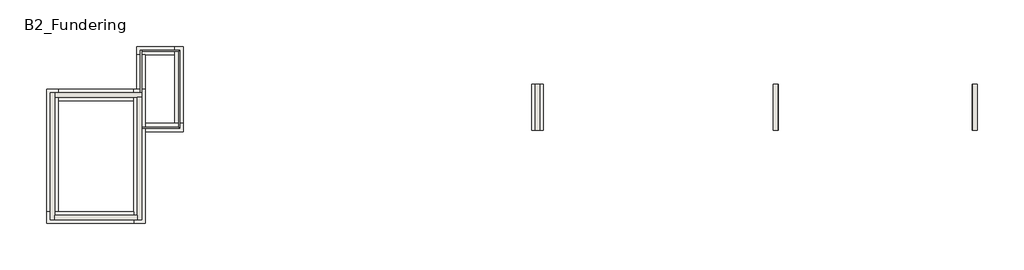
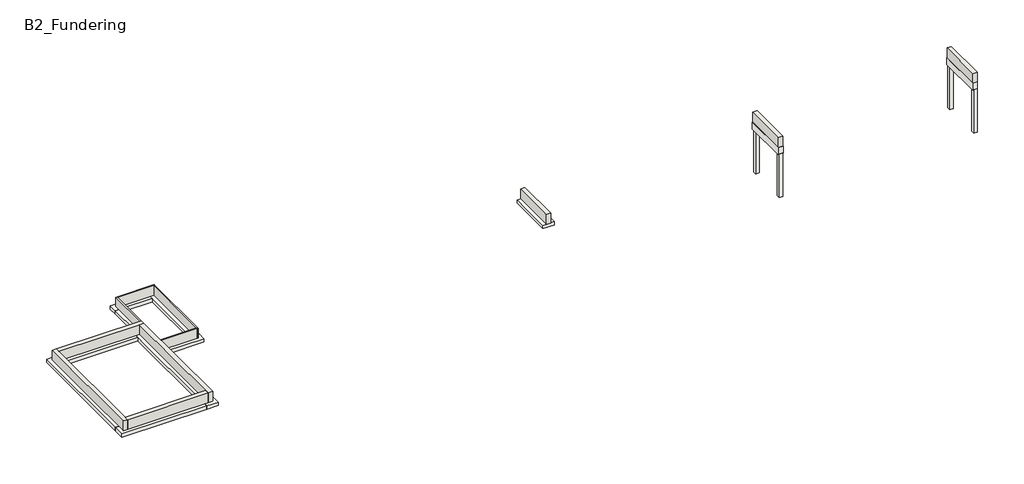
# One storey: 11 footings, 11 walls, 4 slabs.
"""IFC4 building model written with IfcOpenShell, lengths in millimetres."""

from ifc_helpers import new_model, si_unit, frame, origin, place, context, project, spatial, polyline, outline, extrude, faceted_brep, element, save

model = new_model("IFC4")

# Units and contexts
model_context = context("Model", 3, world=origin())
ifc_project = project(units=[si_unit("LENGTHUNIT", "METRE", prefix="MILLI")], contexts=[model_context])

# Site, building, storey
site = spatial("IfcSite", under=ifc_project)
building = spatial("IfcBuilding", under=site)
storey = spatial("IfcBuildingStorey", under=building, Name="B2_Fundering", Elevation=-900.0)

# Footings
placement = place(None, origin())
element("IfcFooting", 1, ObjectType="28_fundering_wand", at=placement, inside=storey, context=model_context, shape_type="Brep", body=[
    faceted_brep([(16885.2, 20874.8, -900.0), (16885.2, 19885.2, -900.0), (16885.2, 10454.8, -900.0), (16885.2, 9465.2, -900.0), (17874.8, 9465.2, -900.0), (17874.8, 17255.2, -900.0), (17874.8, 17964.8, -900.0), (17874.8, 20874.8, -900.0), (17165.2, 20874.8, -900.0), (17874.8, 20874.8, -1204.8), (17874.8, 9465.2, -1204.8), (17874.8, 17255.2, -1204.8), (17874.8, 17964.8, -1204.8), (16885.2, 20874.8, -1204.8), (17165.2, 20874.8, -1204.8), (16885.2, 9465.2, -1204.8), (16885.2, 10454.8, -1204.8), (16885.2, 19885.2, -1204.8)], [[[0, 1, 2, 3, 4, 5, 6, 7, 8]], [[9, 7, 6, 5, 4, 10, 11, 12]], [[13, 14, 9, 12, 11, 10, 15, 16, 17]], [[0, 13, 17, 16, 15, 3, 2, 1]], [[4, 3, 15, 10]], [[0, 8, 7, 9, 14, 13]]]),
])
element("IfcFooting", 2, ObjectType="28_fundering_wand", at=placement, inside=storey, context=model_context, shape_type="Brep", body=[
    faceted_brep([(9465.2, 10454.8, -900.0), (9465.2, 9465.2, -900.0), (16885.2, 9465.2, -900.0), (16885.2, 10454.8, -900.0), (10454.8, 10454.8, -900.0), (9465.2, 9465.2, -1204.8), (16885.2, 9465.2, -1204.8), (9465.2, 10454.8, -1204.8), (10454.8, 10454.8, -1204.8), (16885.2, 10454.8, -1204.8)], [[[0, 1, 2, 3, 4]], [[1, 5, 6, 2]], [[5, 7, 8, 9, 6]], [[7, 0, 4, 3, 9, 8]], [[3, 2, 6, 9]], [[1, 0, 7, 5]]]),
])
element("IfcFooting", 3, ObjectType="28_fundering_wand", at=placement, inside=storey, context=model_context, shape_type="Brep", body=[
    faceted_brep([(10454.8, 20874.8, -900.0), (9465.2, 20874.8, -900.0), (9465.2, 10454.8, -900.0), (10454.8, 10454.8, -900.0), (10454.8, 19885.2, -900.0), (9465.2, 20874.8, -1204.8), (9465.2, 10454.8, -1204.8), (10454.8, 20874.8, -1204.8), (10454.8, 19885.2, -1204.8), (10454.8, 10454.8, -1204.8)], [[[0, 1, 2, 3, 4]], [[1, 5, 6, 2]], [[5, 7, 8, 9, 6]], [[7, 0, 4, 3, 9, 8]], [[3, 2, 6, 9]], [[1, 0, 7, 5]]]),
])
element("IfcFooting", 4, ObjectType="28_fundering_wand", at=placement, inside=storey, context=model_context, shape_type="SweptSolid", body=[
    extrude(outline(polyline([(16885.2, 20874.8), (16885.2, 19885.2), (10454.8, 19885.2), (10454.8, 20874.8), (16885.2, 20874.8)])), frame((0.0, 0.0, -1204.8), z_axis=(0.0, 0.0, 1.0), x_axis=(1.0, 0.0, 0.0)), (0.0, 0.0, 1.0), 304.8),
])
element("IfcFooting", 5, ObjectType="28_fundering_wand", at=placement, inside=storey, context=model_context, shape_type="Brep", body=[
    faceted_brep([(21124.8, 17255.2, -900.0), (21124.8, 17964.8, -900.0), (20415.2, 17964.8, -900.0), (17874.8, 17964.8, -900.0), (17874.8, 17255.2, -900.0), (21124.8, 17255.2, -1204.8), (17874.8, 17255.2, -1204.8), (21124.8, 17964.8, -1204.8), (17874.8, 17964.8, -1204.8), (20415.2, 17964.8, -1204.8)], [[[0, 1, 2, 3, 4]], [[5, 0, 4, 6]], [[7, 5, 6, 8, 9]], [[1, 7, 9, 8, 3, 2]], [[4, 3, 8, 6]], [[1, 0, 5, 7]]]),
])
element("IfcFooting", 6, ObjectType="28_fundering_wand", at=placement, inside=storey, context=model_context, shape_type="Brep", body=[
    faceted_brep([(21124.8, 24524.8, -900.0), (20415.2, 24524.8, -900.0), (20415.2, 23815.2, -900.0), (20415.2, 17964.8, -900.0), (21124.8, 17964.8, -900.0), (21124.8, 24524.8, -1204.8), (21124.8, 17964.8, -1204.8), (20415.2, 24524.8, -1204.8), (20415.2, 17964.8, -1204.8), (20415.2, 23815.2, -1204.8)], [[[0, 1, 2, 3, 4]], [[5, 0, 4, 6]], [[7, 5, 6, 8, 9]], [[1, 7, 9, 8, 3, 2]], [[4, 3, 8, 6]], [[1, 0, 5, 7]]]),
])
element("IfcFooting", 7, ObjectType="28_fundering_wand", at=placement, inside=storey, context=model_context, shape_type="Brep", body=[
    faceted_brep([(17165.2, 24524.8, -900.0), (17165.2, 23815.2, -900.0), (17874.8, 23815.2, -900.0), (20415.2, 23815.2, -900.0), (20415.2, 24524.8, -900.0), (17165.2, 24524.8, -1204.8), (20415.2, 24524.8, -1204.8), (17165.2, 23815.2, -1204.8), (20415.2, 23815.2, -1204.8), (17874.8, 23815.2, -1204.8)], [[[0, 1, 2, 3, 4]], [[5, 0, 4, 6]], [[7, 5, 6, 8, 9]], [[1, 7, 9, 8, 3, 2]], [[4, 3, 8, 6]], [[1, 0, 5, 7]]]),
])
element("IfcFooting", 8, ObjectType="28_fundering_wand", at=placement, inside=storey, context=model_context, shape_type="SweptSolid", body=[
    extrude(outline(polyline([(17874.8, 20874.8), (17165.2, 20874.8), (17165.2, 23815.2), (17874.8, 23815.2), (17874.8, 20874.8)])), frame((0.0, 0.0, -1204.8), z_axis=(0.0, 0.0, 1.0), x_axis=(1.0, 0.0, 0.0)), (0.0, 0.0, 1.0), 304.8),
])
element("IfcFooting", 9, ObjectType="28_fundering_wand", at=placement, inside=storey, context=model_context, shape_type="SweptSolid", body=[
    extrude(outline(polyline([(50854.4859999, 21288.6171364), (51844.0859999, 21288.6171364), (51844.0859999, 17388.6171364), (50854.4859999, 17388.6171364), (50854.4859999, 21288.6171364)])), frame((0.0, 0.0, -1204.8), z_axis=(0.0, 0.0, 1.0), x_axis=(1.0, 0.0, 0.0)), (0.0, 0.0, 1.0), 304.8),
])
element("IfcFooting", 10, ObjectType="28_fundering_wand_balk650", at=placement, inside=storey, context=model_context, shape_type="Brep", body=[
    faceted_brep([(71864.2859999, 21288.6171364, -900.0), (71864.2859999, 21288.6171364, -1550.0), (71839.2859999, 21288.6171364, -1550.0), (71839.2859999, 21288.6171364, -1530.0), (71539.2859999, 21288.6171364, -1530.0), (71539.2859999, 21288.6171364, -1550.0), (71434.2859999, 21288.6171364, -1550.0), (71434.2859999, 21288.6171364, -900.0), (71864.2859999, 17388.6171364, -1550.0), (71864.2859999, 17388.6171364, -900.0), (71434.2859999, 17388.6171364, -900.0), (71434.2859999, 17388.6171364, -1550.0), (71539.2859999, 17388.6171364, -1550.0), (71539.2859999, 17388.6171364, -1530.0), (71839.2859999, 17388.6171364, -1530.0), (71839.2859999, 17388.6171364, -1550.0), (71839.2859999, 17688.6171364, -1550.0), (71539.2859999, 17688.6171364, -1550.0), (71539.2859999, 20988.6171364, -1550.0), (71839.2859999, 20988.6171364, -1550.0), (71839.2859999, 17688.6171364, -1530.0), (71539.2859999, 17688.6171364, -1530.0), (71539.2859999, 20988.6171364, -1530.0), (71839.2859999, 20988.6171364, -1530.0)], [[[0, 1, 2, 3, 4, 5, 6, 7]], [[8, 9, 10, 11, 12, 13, 14, 15]], [[9, 0, 7, 10]], [[1, 0, 9, 8]], [[1, 8, 15, 16, 17, 12, 11, 6, 5, 18, 19, 2]], [[7, 6, 11, 10]], [[20, 21, 17, 16]], [[21, 13, 12, 17]], [[14, 20, 16, 15]], [[21, 20, 14, 13]], [[22, 4, 3, 23]], [[4, 22, 18, 5]], [[22, 23, 19, 18]], [[23, 3, 2, 19]]]),
])
element("IfcFooting", 11, ObjectType="28_fundering_wand_balk650", at=placement, inside=storey, context=model_context, shape_type="Brep", body=[
    faceted_brep([(88864.2859999, 21288.6171364, -900.0), (88864.2859999, 21288.6171364, -1550.0), (88839.2859999, 21288.6171364, -1550.0), (88839.2859999, 21288.6171364, -1530.0), (88539.2859999, 21288.6171364, -1530.0), (88539.2859999, 21288.6171364, -1550.0), (88434.2859999, 21288.6171364, -1550.0), (88434.2859999, 21288.6171364, -900.0), (88864.2859999, 17388.6171364, -1550.0), (88864.2859999, 17388.6171364, -900.0), (88434.2859999, 17388.6171364, -900.0), (88434.2859999, 17388.6171364, -1550.0), (88539.2859999, 17388.6171364, -1550.0), (88539.2859999, 17388.6171364, -1530.0), (88839.2859999, 17388.6171364, -1530.0), (88839.2859999, 17388.6171364, -1550.0), (88839.2859999, 17688.6171364, -1550.0), (88539.2859999, 17688.6171364, -1550.0), (88539.2859999, 20988.6171364, -1550.0), (88839.2859999, 20988.6171364, -1550.0), (88839.2859999, 17688.6171364, -1530.0), (88539.2859999, 17688.6171364, -1530.0), (88539.2859999, 20988.6171364, -1530.0), (88839.2859999, 20988.6171364, -1530.0)], [[[0, 1, 2, 3, 4, 5, 6, 7]], [[8, 9, 10, 11, 12, 13, 14, 15]], [[9, 0, 7, 10]], [[1, 0, 9, 8]], [[1, 8, 15, 16, 17, 12, 11, 6, 5, 18, 19, 2]], [[7, 6, 11, 10]], [[20, 21, 17, 16]], [[21, 13, 12, 17]], [[14, 20, 16, 15]], [[21, 20, 14, 13]], [[22, 4, 3, 23]], [[4, 22, 18, 5]], [[22, 23, 19, 18]], [[23, 3, 2, 19]]]),
])

# Slabs
element("IfcSlab", 12, at=placement, inside=storey, context=model_context, shape_type="Brep", body=[
    faceted_brep([(71839.2859999, 17688.6171364, -1530.0), (71539.2859999, 17688.6171364, -1530.0), (71539.2859999, 17388.6171364, -1530.0), (71839.2859999, 17388.6171364, -1530.0), (71839.2859999, 17688.6171364, -5550.0), (71839.2859999, 17388.6171364, -5550.0), (71539.2859999, 17388.6171364, -5550.0), (71539.2859999, 17688.6171364, -5550.0), (71839.2859999, 17688.6171364, -1550.0), (71539.2859999, 17688.6171364, -1550.0), (71539.2859999, 17388.6171364, -1550.0), (71839.2859999, 17388.6171364, -1550.0)], [[[0, 1, 2, 3]], [[4, 5, 6, 7]], [[1, 0, 8, 4, 7, 9]], [[2, 1, 9, 7, 6, 10]], [[3, 2, 10, 6, 5, 11]], [[0, 3, 11, 5, 4, 8]]]),
])
element("IfcSlab", 13, at=placement, inside=storey, context=model_context, shape_type="Brep", body=[
    faceted_brep([(71839.2859999, 21288.6171364, -1530.0), (71539.2859999, 21288.6171364, -1530.0), (71539.2859999, 20988.6171364, -1530.0), (71839.2859999, 20988.6171364, -1530.0), (71839.2859999, 21288.6171364, -5550.0), (71839.2859999, 20988.6171364, -5550.0), (71539.2859999, 20988.6171364, -5550.0), (71539.2859999, 21288.6171364, -5550.0), (71839.2859999, 21288.6171364, -1550.0), (71539.2859999, 21288.6171364, -1550.0), (71539.2859999, 20988.6171364, -1550.0), (71839.2859999, 20988.6171364, -1550.0)], [[[0, 1, 2, 3]], [[4, 5, 6, 7]], [[1, 0, 8, 4, 7, 9]], [[2, 1, 9, 7, 6, 10]], [[3, 2, 10, 6, 5, 11]], [[0, 3, 11, 5, 4, 8]]]),
])
element("IfcSlab", 14, at=placement, inside=storey, context=model_context, shape_type="Brep", body=[
    faceted_brep([(88839.2859999, 17688.6171364, -1530.0), (88539.2859999, 17688.6171364, -1530.0), (88539.2859999, 17388.6171364, -1530.0), (88839.2859999, 17388.6171364, -1530.0), (88839.2859999, 17688.6171364, -5550.0), (88839.2859999, 17388.6171364, -5550.0), (88539.2859999, 17388.6171364, -5550.0), (88539.2859999, 17688.6171364, -5550.0), (88839.2859999, 17688.6171364, -1550.0), (88539.2859999, 17688.6171364, -1550.0), (88539.2859999, 17388.6171364, -1550.0), (88839.2859999, 17388.6171364, -1550.0)], [[[0, 1, 2, 3]], [[4, 5, 6, 7]], [[1, 0, 8, 4, 7, 9]], [[2, 1, 9, 7, 6, 10]], [[3, 2, 10, 6, 5, 11]], [[0, 3, 11, 5, 4, 8]]]),
])
element("IfcSlab", 15, at=placement, inside=storey, context=model_context, shape_type="Brep", body=[
    faceted_brep([(88839.2859999, 21288.6171364, -1530.0), (88539.2859999, 21288.6171364, -1530.0), (88539.2859999, 20988.6171364, -1530.0), (88839.2859999, 20988.6171364, -1530.0), (88839.2859999, 21288.6171364, -5550.0), (88839.2859999, 20988.6171364, -5550.0), (88539.2859999, 20988.6171364, -5550.0), (88539.2859999, 21288.6171364, -5550.0), (88839.2859999, 21288.6171364, -1550.0), (88539.2859999, 21288.6171364, -1550.0), (88539.2859999, 20988.6171364, -1550.0), (88839.2859999, 20988.6171364, -1550.0)], [[[0, 1, 2, 3]], [[4, 5, 6, 7]], [[1, 0, 8, 4, 7, 9]], [[2, 1, 9, 7, 6, 10]], [[3, 2, 10, 6, 5, 11]], [[0, 3, 11, 5, 4, 8]]]),
])

# Walls
element("IfcWall", 16, at=placement, inside=storey, context=model_context, shape_type="Brep", body=[
    faceted_brep([(17570.0, 20570.0, -900.0), (17570.0, 24120.0, -900.0), (17570.0, 24220.0, -900.0), (17570.0, 24220.0, 0.0), (17570.0, 24120.0, 0.0), (17570.0, 20570.0, 0.0), (17470.0, 20570.0, -900.0), (17470.0, 20570.0, 0.0), (17470.0, 24220.0, 0.0), (17470.0, 24220.0, -900.0)], [[[0, 1, 2, 3, 4, 5]], [[6, 7, 8, 9]], [[2, 1, 0, 6, 9]], [[5, 4, 3, 8, 7]], [[0, 5, 7, 6]], [[3, 2, 9, 8]]]),
])
element("IfcWall", 17, at=placement, inside=storey, context=model_context, shape_type="Brep", body=[
    faceted_brep([(17570.0, 24120.0, -900.0), (20720.0, 24120.0, -900.0), (20820.0, 24120.0, -900.0), (20820.0, 24120.0, 0.0), (20720.0, 24120.0, 0.0), (17570.0, 24120.0, 0.0), (17570.0, 24220.0, -900.0), (17570.0, 24220.0, 0.0), (20820.0, 24220.0, 0.0), (20820.0, 24220.0, -900.0)], [[[0, 1, 2, 3, 4, 5]], [[6, 7, 8, 9]], [[2, 1, 0, 6, 9]], [[5, 4, 3, 8, 7]], [[0, 5, 7, 6]], [[3, 2, 9, 8]]]),
])
element("IfcWall", 18, at=placement, inside=storey, context=model_context, shape_type="Brep", body=[
    faceted_brep([(20720.0, 24120.0, -900.0), (20720.0, 17660.0, -900.0), (20720.0, 17560.0, -900.0), (20720.0, 17560.0, 0.0), (20720.0, 17660.0, 0.0), (20720.0, 24120.0, 0.0), (20820.0, 24120.0, -900.0), (20820.0, 24120.0, 0.0), (20820.0, 17560.0, 0.0), (20820.0, 17560.0, -900.0)], [[[0, 1, 2, 3, 4, 5]], [[6, 7, 8, 9]], [[2, 1, 0, 6, 9]], [[5, 4, 3, 8, 7]], [[0, 5, 7, 6]], [[3, 2, 9, 8]]]),
])
element("IfcWall", 19, at=placement, inside=storey, context=model_context, shape_type="SweptSolid", body=[
    extrude(outline(polyline([(17570.0, 17660.0), (20720.0, 17660.0), (20720.0, 17560.0), (17570.0, 17560.0), (17570.0, 17660.0)])), frame((0.0, 0.0, -900.0), z_axis=(0.0, 0.0, 1.0), x_axis=(1.0, 0.0, 0.0)), (0.0, 0.0, 1.0), 900.0),
])
element("IfcWall", 20, ObjectType="21_spouw_430", at=placement, inside=storey, context=model_context, shape_type="Brep", body=[
    faceted_brep([(10150.0, 9770.0, -900.0), (10150.0, 10150.0, -900.0), (10150.0, 20190.0, -900.0), (10150.0, 20570.0, -900.0), (10150.0, 20570.0, 0.0), (10150.0, 20190.0, 0.0), (10150.0, 10150.0, 0.0), (10150.0, 9770.0, 0.0), (9770.0, 9770.0, -900.0), (9770.0, 9770.0, 0.0), (9770.0, 20570.0, 0.0), (9770.0, 20570.0, -900.0)], [[[0, 1, 2, 3, 4, 5, 6, 7]], [[8, 9, 10, 11]], [[3, 2, 1, 0, 8, 11]], [[7, 6, 5, 4, 10, 9]], [[4, 3, 11, 10]], [[0, 7, 9, 8]]]),
])
element("IfcWall", 21, ObjectType="21_spouw_430", at=placement, inside=storey, context=model_context, shape_type="Brep", body=[
    faceted_brep([(10150.0, 20190.0, -900.0), (17190.0, 20190.0, -900.0), (17570.0, 20190.0, -900.0), (17570.0, 20190.0, 0.0), (17190.0, 20190.0, 0.0), (10150.0, 20190.0, 0.0), (10150.0, 20570.0, -900.0), (10150.0, 20570.0, 0.0), (17570.0, 20570.0, 0.0), (17570.0, 20570.0, -900.0)], [[[0, 1, 2, 3, 4, 5]], [[6, 7, 8, 9]], [[2, 1, 0, 6, 9]], [[5, 4, 3, 8, 7]], [[0, 5, 7, 6]], [[3, 2, 9, 8]]]),
])
element("IfcWall", 22, ObjectType="21_spouw_430", at=placement, inside=storey, context=model_context, shape_type="Brep", body=[
    faceted_brep([(17190.0, 20190.0, -900.0), (17190.0, 10150.0, -900.0), (17190.0, 9770.0, -900.0), (17190.0, 9770.0, 0.0), (17190.0, 10150.0, 0.0), (17190.0, 20190.0, 0.0), (17570.0, 20190.0, -900.0), (17570.0, 20190.0, 0.0), (17570.0, 9770.0, 0.0), (17570.0, 9770.0, -900.0)], [[[0, 1, 2, 3, 4, 5]], [[6, 7, 8, 9]], [[2, 1, 0, 6, 9]], [[5, 4, 3, 8, 7]], [[0, 5, 7, 6]], [[3, 2, 9, 8]]]),
])
element("IfcWall", 23, ObjectType="21_spouw_430", at=placement, inside=storey, context=model_context, shape_type="SweptSolid", body=[
    extrude(outline(polyline([(10150.0, 10150.0), (17190.0, 10150.0), (17190.0, 9770.0), (10150.0, 9770.0), (10150.0, 10150.0)])), frame((0.0, 0.0, -900.0), z_axis=(0.0, 0.0, 1.0), x_axis=(1.0, 0.0, 0.0)), (0.0, 0.0, 1.0), 900.0),
])
element("IfcWall", 24, ObjectType="21_spouw_430", at=placement, inside=storey, context=model_context, shape_type="SweptSolid", body=[
    extrude(outline(polyline([(51159.2859999, 17388.6171364), (51159.2859999, 21288.6171364), (51539.2859999, 21288.6171364), (51539.2859999, 17388.6171364), (51159.2859999, 17388.6171364)])), frame((0.0, 0.0, -900.0), z_axis=(0.0, 0.0, 1.0), x_axis=(1.0, 0.0, 0.0)), (0.0, 0.0, 1.0), 900.0),
])
element("IfcWall", 25, ObjectType="21_spouw_430", at=placement, inside=storey, context=model_context, shape_type="SweptSolid", body=[
    extrude(outline(polyline([(71459.2859999, 17388.6171364), (71459.2859999, 21288.6171364), (71839.2859999, 21288.6171364), (71839.2859999, 17388.6171364), (71459.2859999, 17388.6171364)])), frame((0.0, 0.0, -900.0), z_axis=(0.0, 0.0, 1.0), x_axis=(1.0, 0.0, 0.0)), (0.0, 0.0, 1.0), 900.0),
])
element("IfcWall", 26, ObjectType="21_spouw_430", at=placement, inside=storey, context=model_context, shape_type="SweptSolid", body=[
    extrude(outline(polyline([(88459.2859999, 17388.6171364), (88459.2859999, 21288.6171364), (88839.2859999, 21288.6171364), (88839.2859999, 17388.6171364), (88459.2859999, 17388.6171364)])), frame((0.0, 0.0, -900.0), z_axis=(0.0, 0.0, 1.0), x_axis=(1.0, 0.0, 0.0)), (0.0, 0.0, 1.0), 900.0),
])

save(model, "model.ifc")
